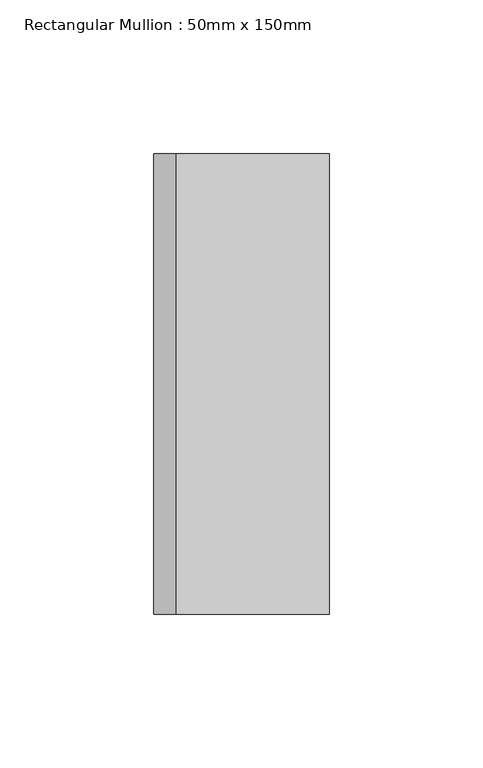
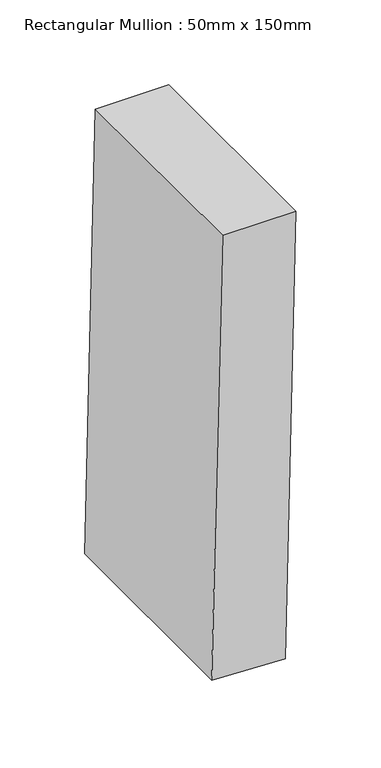
"""IFC4 building model written with IfcOpenShell, lengths in millimetres: member geometry, Rectangular Mullion : 50mm x 150mm."""

from ifc_helpers import new_model, si_unit, point, frame, frame_2d, origin, place, context, project, spatial, polyline, circle_curve, trimmed, segment, composite_curve, outline, extrude, source, transform, mapped, element, save


def rectangular_mullion_50mm_x_150mm_9af3504d(model_context):
    return source(origin(), model_context, "Body", "SweptSolid", [
        extrude(outline(composite_curve([segment(trimmed(circle_curve(frame_2d((0.0, -7065.3700224)), 7065.3700224), [point((-319.8295663, -7.2426077))], [point((0.0, 0.0))], False, "CARTESIAN"), True, "CONTINUOUS"), segment(polyline([(0.0, 0.0), (0.0, -50.0)]), True, "CONTINUOUS"), segment(trimmed(circle_curve(frame_2d((0.0, -7065.3700224)), 7015.3700224), [point((0.0, -50.0))], [point((-317.5662059, -57.1913534))], True, "CARTESIAN"), True, "CONTINUOUS"), segment(polyline([(-317.5662059, -57.1913534), (-319.8295663, -7.2426077)]), True, "CONTINUOUS")], self_intersect=False)), frame((0.0, -75.0, 0.0), z_axis=(0.0, 1.0, 0.0), x_axis=(0.0, 0.0, 1.0)), (0.0, 0.0, 1.0), 150.0),
    ])


if __name__ == "__main__":
    model = new_model("IFC4")
    model_context = context("Model", 3, world=origin())
    ifc_project = project(units=[si_unit("LENGTHUNIT", "METRE", prefix="MILLI")], contexts=[model_context])
    site = spatial("IfcSite", under=ifc_project)
    building = spatial("IfcBuilding", under=site)
    placement = place(None, origin())
    rectangular_mullion_50mm_x_150mm_shape = rectangular_mullion_50mm_x_150mm_9af3504d(model_context)
    element("IfcMember", 1, ObjectType="Rectangular Mullion : 50mm x 150mm", at=placement, inside=building, context=model_context, shape_type="MappedRepresentation", body=[
        mapped(rectangular_mullion_50mm_x_150mm_shape, transform((0.0, 0.0, 0.0), x_axis=(1.0, 0.0, 0.0), y_axis=(0.0, 1.0, 0.0), z_axis=(0.0, 0.0, 1.0))),
    ])
    save(model, "model.ifc")
